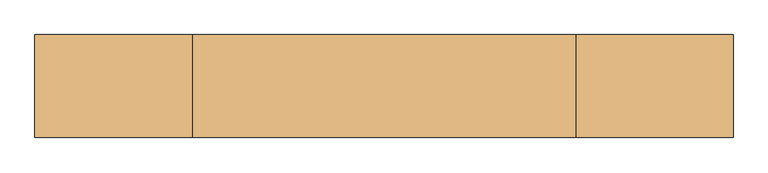
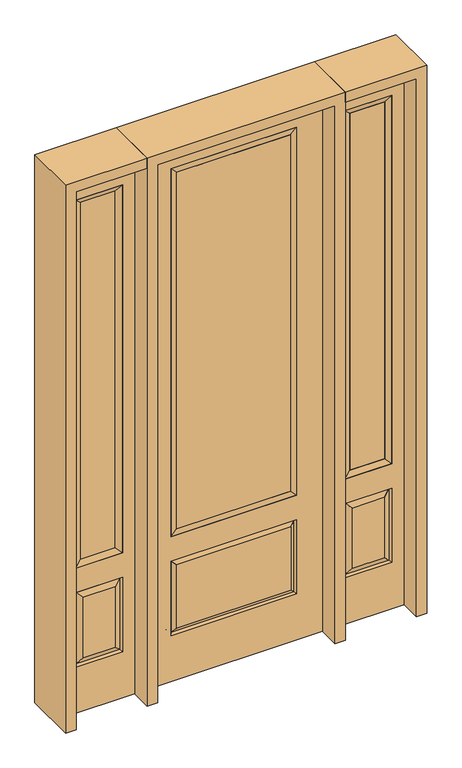
"""IFC4 building model written with IfcOpenShell, lengths in millimetres: door geometry."""

from ifc_helpers import new_model, si_unit, frame, origin, place, context, project, spatial, polyline, outline, extrude, faceted_brep, source, transform, mapped, element, save


def door_4ce07689(model_context):
    return source(origin(), model_context, "Body", "SolidModel", [
        faceted_brep([(425.45, -22.225, 0.0), (730.25, -22.225, 0.0), (730.25, -22.225, 2438.4), (425.45, -22.225, 2438.4), (678.18, -22.225, 2325.624), (678.18, -22.225, 657.098), (477.52, -22.225, 657.098), (477.52, -22.225, 2325.624), (678.18, -22.225, 209.55), (477.52, -22.225, 209.55), (477.52, -22.225, 546.1), (678.18, -22.225, 546.1), (509.2351001, -22.225, 241.2651001), (646.4648999, -22.225, 241.2651001), (646.4648999, -22.225, 514.3848999), (509.2351001, -22.225, 514.3848999), (425.45, 22.225, 0.0), (425.45, 22.225, 2438.4), (730.25, 22.225, 2438.4), (730.25, 22.225, 0.0), (678.18, 22.225, 2325.624), (477.52, 22.225, 2325.624), (477.52, 22.225, 657.098), (678.18, 22.225, 657.098), (477.52, 22.225, 209.55), (678.18, 22.225, 209.55), (678.18, 22.225, 546.1), (477.52, 22.225, 546.1), (646.4648999, 22.225, 241.2651001), (509.2351001, 22.225, 241.2651001), (509.2351001, 22.225, 514.3848999), (646.4648999, 22.225, 514.3848999), (671.0711499, 12.7912373, 216.6588501), (484.6288501, 12.7912373, 216.6588501), (484.6288501, 12.7912373, 538.9911499), (671.0711499, 12.7912373, 538.9911499), (484.6288501, -12.7912373, 216.6588501), (671.0711499, -12.7912373, 216.6588501), (484.6288501, -12.7912373, 538.9911499), (671.0711499, -12.7912373, 538.9911499)], [[[0, 1, 2, 3], [4, 5, 6, 7], [8, 9, 10, 11]], [[12, 13, 14, 15]], [[16, 17, 18, 19], [20, 21, 22, 23], [24, 25, 26, 27]], [[28, 29, 30, 31]], [[1, 0, 16, 19]], [[2, 1, 19, 18]], [[3, 2, 18, 17]], [[0, 3, 17, 16]], [[5, 4, 20, 23]], [[6, 5, 23, 22]], [[7, 6, 22, 21]], [[4, 7, 21, 20]], [[32, 33, 29, 28]], [[33, 32, 25, 24]], [[29, 33, 34, 30]], [[33, 24, 27, 34]], [[30, 34, 35, 31]], [[34, 27, 26, 35]], [[32, 28, 31, 35]], [[25, 32, 35, 26]], [[12, 36, 37, 13]], [[37, 36, 9, 8]], [[36, 12, 15, 38]], [[9, 36, 38, 10]], [[38, 15, 14, 39]], [[10, 38, 39, 11]], [[13, 37, 39, 14]], [[37, 8, 11, 39]]]),
        faceted_brep([(477.52, 22.225, 2325.624), (477.52, -22.225, 2325.624), (678.18, -22.225, 2325.624), (678.18, 22.225, 2325.624), (502.92, 12.7, 2300.224), (652.78, 12.7, 2300.224), (502.92, -12.7, 2300.224), (652.78, -12.7, 2300.224), (678.18, -22.225, 657.098), (678.18, 22.225, 657.098), (652.78, 12.7, 682.498), (652.78, -12.7, 682.498), (477.52, -22.225, 657.098), (477.52, 22.225, 657.098), (502.92, 12.7, 682.498), (502.92, -12.7, 682.498)], [[[0, 1, 2, 3]], [[4, 0, 3, 5]], [[6, 4, 5, 7]], [[1, 6, 7, 2]], [[3, 2, 8, 9]], [[5, 3, 9, 10]], [[7, 5, 10, 11]], [[2, 7, 11, 8]], [[9, 8, 12, 13]], [[10, 9, 13, 14]], [[11, 10, 14, 15]], [[8, 11, 15, 12]], [[13, 12, 1, 0]], [[14, 13, 0, 4]], [[15, 14, 4, 6]], [[12, 15, 6, 1]]]),
        extrude(outline(polyline([(652.78, -12.7), (502.92, -12.7), (502.92, 12.7), (652.78, 12.7), (652.78, -12.7)])), frame((0.0, 0.0, 682.498), z_axis=(0.0, 0.0, 1.0), x_axis=(1.0, 0.0, 0.0)), (0.0, 0.0, 1.0), 1617.726),
        faceted_brep([(-730.25, -22.225, 0.0), (-425.45, -22.225, 0.0), (-425.45, -22.225, 2438.4), (-730.25, -22.225, 2438.4), (-477.52, -22.225, 2325.624), (-477.52, -22.225, 657.098), (-678.18, -22.225, 657.098), (-678.18, -22.225, 2325.624), (-477.52, -22.225, 209.55), (-678.18, -22.225, 209.55), (-678.18, -22.225, 546.1), (-477.52, -22.225, 546.1), (-646.4648999, -22.225, 241.2651001), (-509.2351001, -22.225, 241.2651001), (-509.2351001, -22.225, 514.3848999), (-646.4648999, -22.225, 514.3848999), (-730.25, 22.225, 0.0), (-730.25, 22.225, 2438.4), (-425.45, 22.225, 2438.4), (-425.45, 22.225, 0.0), (-477.52, 22.225, 2325.624), (-678.18, 22.225, 2325.624), (-678.18, 22.225, 657.098), (-477.52, 22.225, 657.098), (-678.18, 22.225, 209.55), (-477.52, 22.225, 209.55), (-477.52, 22.225, 546.1), (-678.18, 22.225, 546.1), (-509.2351001, 22.225, 241.2651001), (-646.4648999, 22.225, 241.2651001), (-646.4648999, 22.225, 514.3848999), (-509.2351001, 22.225, 514.3848999), (-484.6288501, 12.7912373, 216.6588501), (-671.0711499, 12.7912373, 216.6588501), (-671.0711499, 12.7912373, 538.9911499), (-484.6288501, 12.7912373, 538.9911499), (-671.0711499, -12.7912373, 216.6588501), (-484.6288501, -12.7912373, 216.6588501), (-671.0711499, -12.7912373, 538.9911499), (-484.6288501, -12.7912373, 538.9911499)], [[[0, 1, 2, 3], [4, 5, 6, 7], [8, 9, 10, 11]], [[12, 13, 14, 15]], [[16, 17, 18, 19], [20, 21, 22, 23], [24, 25, 26, 27]], [[28, 29, 30, 31]], [[1, 0, 16, 19]], [[2, 1, 19, 18]], [[3, 2, 18, 17]], [[0, 3, 17, 16]], [[5, 4, 20, 23]], [[6, 5, 23, 22]], [[7, 6, 22, 21]], [[4, 7, 21, 20]], [[32, 33, 29, 28]], [[33, 32, 25, 24]], [[29, 33, 34, 30]], [[33, 24, 27, 34]], [[30, 34, 35, 31]], [[34, 27, 26, 35]], [[32, 28, 31, 35]], [[25, 32, 35, 26]], [[12, 36, 37, 13]], [[37, 36, 9, 8]], [[36, 12, 15, 38]], [[9, 36, 38, 10]], [[38, 15, 14, 39]], [[10, 38, 39, 11]], [[13, 37, 39, 14]], [[37, 8, 11, 39]]]),
        faceted_brep([(-678.18, 22.225, 2325.624), (-678.18, -22.225, 2325.624), (-477.52, -22.225, 2325.624), (-477.52, 22.225, 2325.624), (-652.78, 12.7, 2300.224), (-502.92, 12.7, 2300.224), (-652.78, -12.7, 2300.224), (-502.92, -12.7, 2300.224), (-477.52, -22.225, 657.098), (-477.52, 22.225, 657.098), (-502.92, 12.7, 682.498), (-502.92, -12.7, 682.498), (-678.18, -22.225, 657.098), (-678.18, 22.225, 657.098), (-652.78, 12.7, 682.498), (-652.78, -12.7, 682.498)], [[[0, 1, 2, 3]], [[4, 0, 3, 5]], [[6, 4, 5, 7]], [[1, 6, 7, 2]], [[3, 2, 8, 9]], [[5, 3, 9, 10]], [[7, 5, 10, 11]], [[2, 7, 11, 8]], [[9, 8, 12, 13]], [[10, 9, 13, 14]], [[11, 10, 14, 15]], [[8, 11, 15, 12]], [[13, 12, 1, 0]], [[14, 13, 0, 4]], [[15, 14, 4, 6]], [[12, 15, 6, 1]]]),
        extrude(outline(polyline([(-502.92, -12.7), (-652.78, -12.7), (-652.78, 12.7), (-502.92, 12.7), (-502.92, -12.7)])), frame((0.0, 0.0, 682.498), z_axis=(0.0, 0.0, 1.0), x_axis=(1.0, 0.0, 0.0)), (0.0, 0.0, 1.0), 1617.726),
        extrude(outline(polyline([(244.475, -20.32), (-244.475, -20.32), (-244.475, 5.08), (244.475, 5.08), (244.475, -20.32)])), frame((0.0, 0.0, 682.498), z_axis=(0.0, 0.0, 1.0), x_axis=(1.0, 0.0, 0.0)), (0.0, 0.0, 1.0), 1616.202),
        faceted_brep([(-262.7661499, -12.7912373, 216.6588501), (262.7661499, -12.7912373, 216.6588501), (245.26875, -22.225, 234.15625), (-245.26875, -22.225, 234.15625), (-269.875, -22.225, 209.55), (269.875, -22.225, 209.55), (-262.7661499, -12.7912373, 538.9911499), (-269.875, -22.225, 546.1), (245.26875, -22.225, 521.49375), (-245.26875, -22.225, 521.49375), (381.0, -22.225, 2438.4), (-381.0, -22.225, 2438.4), (-381.0, -22.225, 0.0), (381.0, -22.225, 0.0), (269.875, -22.225, 546.1), (269.875, -22.225, 2324.1), (269.875, -22.225, 657.098), (-269.875, -22.225, 657.098), (-269.875, -22.225, 2324.1), (262.7661499, -12.7912373, 538.9911499), (-381.0, 22.225, 2438.4), (-381.0, 22.225, 0.0), (381.0, 22.225, 0.0), (381.0, 22.225, 2438.4), (269.875, 22.225, 2324.1), (269.875, 22.225, 657.098), (-269.875, 22.225, 657.098), (-269.875, 22.225, 2324.1), (-269.875, 22.225, 209.55), (269.875, 22.225, 209.55), (269.875, 22.225, 546.1), (-269.875, 22.225, 546.1), (245.26875, 22.225, 234.15625), (-245.26875, 22.225, 234.15625), (-245.26875, 22.225, 521.49375), (245.26875, 22.225, 521.49375), (-262.7661499, 12.7912373, 216.6588501), (262.7661499, 12.7912373, 216.6588501), (262.7661499, 12.7912373, 538.9911499), (-262.7661499, 12.7912373, 538.9911499)], [[[0, 1, 2, 3]], [[1, 0, 4, 5]], [[4, 0, 6, 7]], [[3, 2, 8, 9]], [[10, 11, 12, 13], [5, 4, 7, 14], [15, 16, 17, 18]], [[1, 5, 14, 19]], [[2, 1, 19, 8]], [[0, 3, 9, 6]], [[7, 6, 19, 14]], [[6, 9, 8, 19]], [[12, 11, 20, 21]], [[13, 12, 21, 22]], [[10, 13, 22, 23]], [[16, 15, 24, 25]], [[17, 16, 25, 26]], [[18, 17, 26, 27]], [[23, 22, 21, 20], [28, 29, 30, 31], [24, 27, 26, 25]], [[32, 33, 34, 35]], [[28, 36, 37, 29]], [[29, 37, 38, 30]], [[39, 31, 30, 38]], [[36, 28, 31, 39]], [[37, 36, 33, 32]], [[33, 36, 39, 34]], [[34, 39, 38, 35]], [[37, 32, 35, 38]], [[11, 10, 23, 20]], [[15, 18, 27, 24]]]),
        faceted_brep([(-269.875, -22.225, 2324.1), (-269.875, 22.225, 2324.1), (-269.875, 22.225, 657.098), (-269.875, -22.225, 657.098), (269.875, 22.225, 657.098), (269.875, -22.225, 657.098), (-244.475, 5.08, 682.498), (244.475, 5.08, 682.498), (269.875, 22.225, 2324.1), (269.875, -22.225, 2324.1), (-244.475, -20.32, 682.498), (244.475, -20.32, 682.498), (-244.475, -20.32, 2298.7), (244.475, -20.32, 2298.7), (-244.475, 5.08, 2298.7), (244.475, 5.08, 2298.7)], [[[0, 1, 2, 3]], [[3, 2, 4, 5]], [[2, 6, 7, 4]], [[5, 4, 8, 9]], [[10, 3, 5, 11]], [[12, 0, 3, 10]], [[11, 5, 9, 13]], [[6, 10, 11, 7]], [[14, 12, 10, 6]], [[7, 11, 13, 15]], [[1, 14, 6, 2]], [[4, 7, 15, 8]], [[9, 8, 1, 0]], [[13, 9, 0, 12]], [[15, 13, 12, 14]], [[8, 15, 14, 1]]]),
        extrude(outline(polyline([(2438.4, -425.45), (2482.85, -425.45), (2482.85, -774.7), (0.0, -774.7), (0.0, -730.25), (2438.4, -730.25), (2438.4, -425.45)])), frame((0.0, -114.3, 0.0), z_axis=(0.0, 1.0, 0.0), x_axis=(0.0, 0.0, 1.0)), (0.0, 0.0, 1.0), 228.6),
        extrude(outline(polyline([(2482.85, -425.45), (0.0, -425.45), (0.0, -381.0), (2438.4, -381.0), (2438.4, 381.0), (0.0, 381.0), (0.0, 425.45), (2482.85, 425.45), (2482.85, -425.45)])), frame((0.0, -114.3, 0.0), z_axis=(0.0, 1.0, 0.0), x_axis=(0.0, 0.0, 1.0)), (0.0, 0.0, 1.0), 228.6),
        extrude(outline(polyline([(0.0, 730.25), (0.0, 774.7), (2482.85, 774.7), (2482.85, 425.45), (2438.4, 425.45), (2438.4, 730.25), (0.0, 730.25)])), frame((0.0, -114.3, 0.0), z_axis=(0.0, 1.0, 0.0), x_axis=(0.0, 0.0, 1.0)), (0.0, 0.0, 1.0), 228.6),
    ])


if __name__ == "__main__":
    model = new_model("IFC4")
    model_context = context("Model", 3, world=origin())
    ifc_project = project(units=[si_unit("LENGTHUNIT", "METRE", prefix="MILLI")], contexts=[model_context])
    site = spatial("IfcSite", under=ifc_project)
    building = spatial("IfcBuilding", under=site)
    placement = place(None, origin())
    door_shape = door_4ce07689(model_context)
    element("IfcDoor", 1, at=placement, inside=building, context=model_context, shape_type="MappedRepresentation", body=[
        mapped(door_shape, transform((0.0, 0.0, 0.0), x_axis=(1.0, 0.0, 0.0), y_axis=(0.0, 1.0, 0.0), z_axis=(0.0, 0.0, 1.0))),
    ])
    save(model, "model.ifc")
